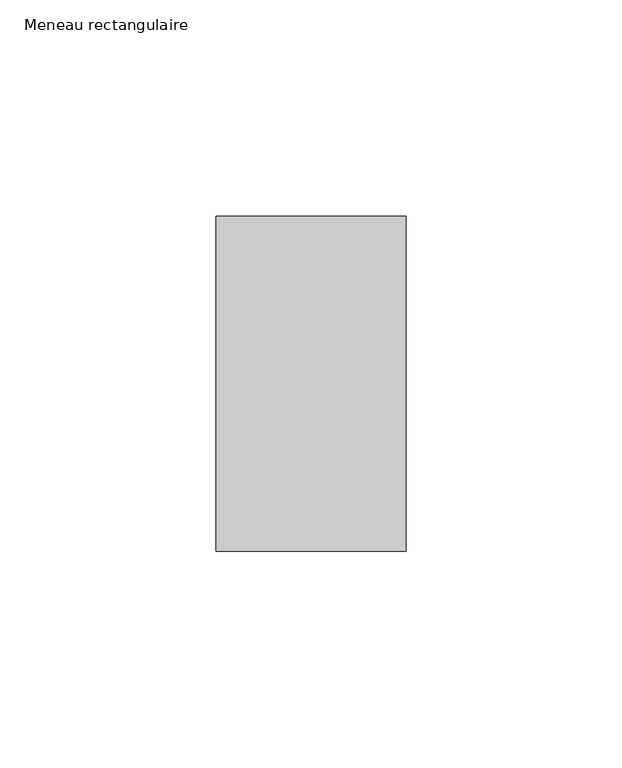
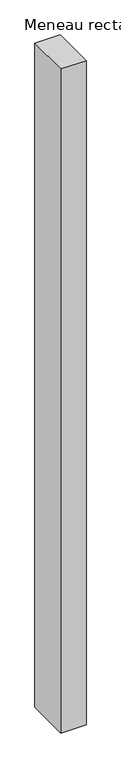
"""IFC4 building model written with IfcOpenShell, lengths in millimetres: member geometry, Meneau rectangulaire."""

from ifc_helpers import new_model, si_unit, frame, origin, place, context, project, spatial, polyline, outline, extrude, source, transform, mapped, element, save


def meneau_rectangulaire_9430d244(model_context):
    return source(origin(), model_context, "Body", "SweptSolid", [
        extrude(outline(polyline([(-44.0, 38.75), (0.0, 38.75), (0.0, -38.75), (-44.0, -38.75), (-44.0, 38.75)])), frame((0.0, 0.0, -1219.6250002), z_axis=(0.0, 0.0, 1.0), x_axis=(1.0, 0.0, 0.0)), (0.0, 0.0, 1.0), 1219.6250002),
    ])


if __name__ == "__main__":
    model = new_model("IFC4")
    model_context = context("Model", 3, world=origin())
    ifc_project = project(units=[si_unit("LENGTHUNIT", "METRE", prefix="MILLI")], contexts=[model_context])
    site = spatial("IfcSite", under=ifc_project)
    building = spatial("IfcBuilding", under=site)
    placement = place(None, origin())
    meneau_rectangulaire_shape = meneau_rectangulaire_9430d244(model_context)
    element("IfcMember", 1, ObjectType="Meneau rectangulaire", at=placement, inside=building, context=model_context, shape_type="MappedRepresentation", body=[
        mapped(meneau_rectangulaire_shape, transform((0.0, 0.0, 0.0), x_axis=(1.0, 0.0, 0.0), y_axis=(0.0, 1.0, 0.0), z_axis=(0.0, 0.0, 1.0))),
    ])
    save(model, "model.ifc")
